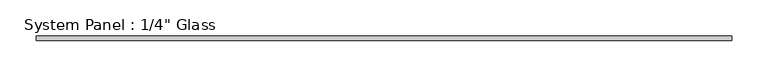
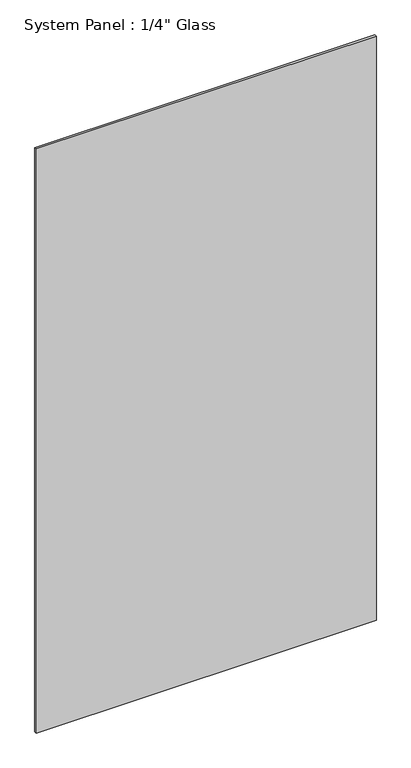
"""IFC4 building model written with IfcOpenShell, lengths in millimetres: plate geometry."""

from ifc_helpers import new_model, si_unit, origin, origin_with_axes, place, context, project, spatial, polyline, outline, extrude, source, transform, mapped, element, save


def plate_8f219b35(model_context):
    return source(origin(), model_context, "Body", "SweptSolid", [
        extrude(outline(polyline([(479.425, -3.175), (-479.425, -3.175), (-479.425, 3.175), (479.425, 3.175), (479.425, -3.175)])), origin_with_axes(), (0.0, 0.0, 1.0), 1739.9),
    ])


if __name__ == "__main__":
    model = new_model("IFC4")
    model_context = context("Model", 3, world=origin())
    ifc_project = project(units=[si_unit("LENGTHUNIT", "METRE", prefix="MILLI")], contexts=[model_context])
    site = spatial("IfcSite", under=ifc_project)
    building = spatial("IfcBuilding", under=site)
    placement = place(None, origin())
    plate_shape = plate_8f219b35(model_context)
    element("IfcPlate", 1, ObjectType="System Panel : 1/4\" Glass", at=placement, inside=building, context=model_context, shape_type="MappedRepresentation", body=[
        mapped(plate_shape, transform((0.0, 0.0, 0.0), x_axis=(1.0, 0.0, 0.0), y_axis=(0.0, 1.0, 0.0), z_axis=(0.0, 0.0, 1.0))),
    ])
    save(model, "model.ifc")
